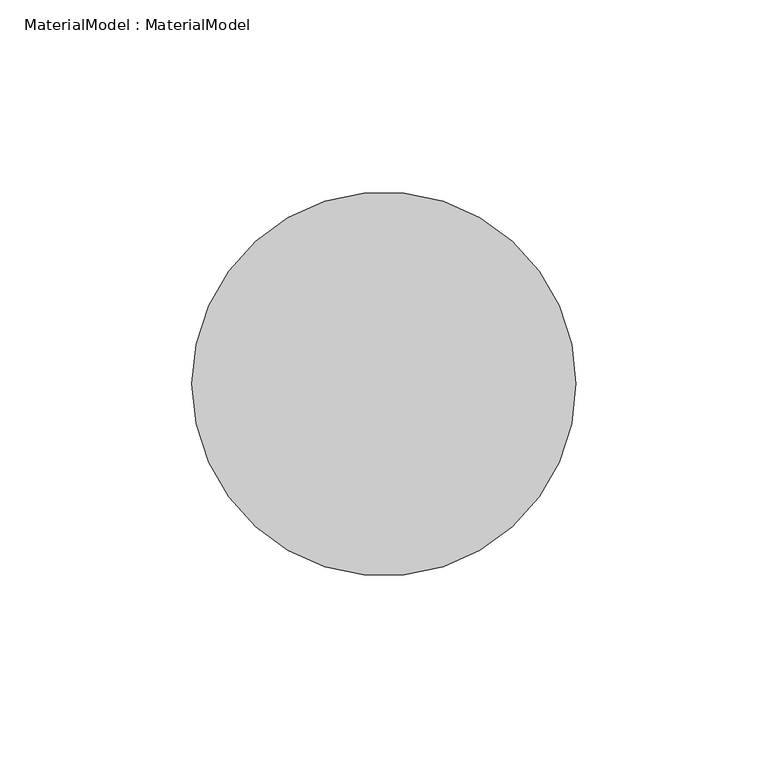
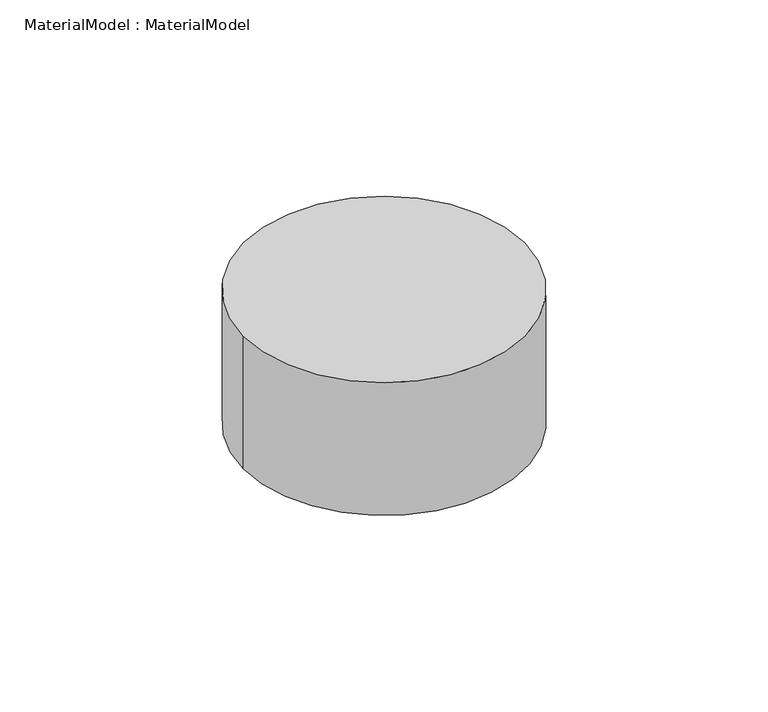
"""IFC4 building model written with IfcOpenShell, lengths in millimetres: proxy geometry, MaterialModel : MaterialModel."""

import ifcopenshell
import ifcopenshell.guid

model = None  # the IFC model being written
_history = None  # IfcOwnerHistory: only IFC2X3 demands one
_inside = {}  # id of a spatial element -> (the spatial element, [elements in it])
_under = {}  # id of a project, library or spatial element -> (it, [spatial elements below it])
_declared = {}  # id of a project -> (the project, [libraries it declares])
_typed = {}  # id of a type object -> (the type object, [elements of that type])
_made_of = {}  # id of a material, layer set ... -> (it, [elements and type objects made of it])


def new_model(schema):
    """Start an empty IFC model of exactly this schema.

    Asked for "IFC4X3", IfcOpenShell would pick the latest addendum, in which some entities
    have other attributes; the version numbers below select the first issue.
    IFC2X3 requires an IfcOwnerHistory on every rooted entity: one is made here for all.
    """
    global model, _history
    if schema == "IFC4X3":
        model = ifcopenshell.file(schema_version=(4, 3, 0, 0))
    else:
        model = ifcopenshell.file(schema=schema)
    _inside.clear()
    _under.clear()
    _declared.clear()
    _typed.clear()
    _made_of.clear()
    _history = None
    if model.schema == "IFC2X3":
        org = make("IfcOrganization", Name="unknown")
        user = make(
            "IfcPersonAndOrganization",
            ThePerson=make("IfcPerson", FamilyName="unknown"),
            TheOrganization=org,
        )
        app = make(
            "IfcApplication",
            ApplicationDeveloper=org,
            Version="unknown",
            ApplicationFullName="unknown",
            ApplicationIdentifier="unknown",
        )
        _history = make(
            "IfcOwnerHistory",
            OwningUser=user,
            OwningApplication=app,
            ChangeAction="ADDED",
            CreationDate=0,
        )
    return model


def make(cls, **values):
    """One entity of the class cls with the attributes given. An attribute that is None is left unset."""
    return model.create_entity(
        cls, **{name: value for name, value in values.items() if value is not None}
    )


def rooted(cls, **values):
    """An entity with a GlobalId (a new one), such as an element, a storey or a relation."""
    return make(cls, GlobalId=ifcopenshell.guid.new(), OwnerHistory=_history, **values)


def si_unit(unit_type, name, prefix=None):
    """IfcSIUnit, for example si_unit("LENGTHUNIT", "METRE", prefix="MILLI")."""
    return make("IfcSIUnit", UnitType=unit_type, Prefix=prefix, Name=name)


def assignment(units):
    """IfcUnitAssignment: the units of a project."""
    return None if units is None else make("IfcUnitAssignment", Units=units)


def point(xyz):
    """IfcCartesianPoint."""
    return None if xyz is None else make("IfcCartesianPoint", Coordinates=xyz)


def direction(xyz):
    """IfcDirection."""
    return None if xyz is None else make("IfcDirection", DirectionRatios=xyz)


def frame(location, z_axis=None, x_axis=None):
    """IfcAxis2Placement3D, a coordinate frame: its origin and axes. An axis left out is left unset."""
    return make(
        "IfcAxis2Placement3D",
        Location=point(location),
        Axis=direction(z_axis),
        RefDirection=direction(x_axis),
    )


def frame_2d(location, x_axis=None):
    """IfcAxis2Placement2D, a coordinate frame in the plane: its origin and x axis."""
    return make(
        "IfcAxis2Placement2D", Location=point(location), RefDirection=direction(x_axis)
    )


def origin():
    """The frame at (0, 0, 0) with its axes left unset."""
    return frame((0.0, 0.0, 0.0))


def origin_with_axes():
    """The frame at (0, 0, 0) with the z axis (0, 0, 1) and the x axis (1, 0, 0) written out."""
    return frame((0.0, 0.0, 0.0), z_axis=(0.0, 0.0, 1.0), x_axis=(1.0, 0.0, 0.0))


def origin_2d():
    """The frame at (0, 0) in the plane with its x axis left unset."""
    return frame_2d((0.0, 0.0))


def place(relative_to, where):
    """IfcLocalPlacement: puts the frame where relative to a parent placement (None: the world)."""
    return make(
        "IfcLocalPlacement", PlacementRelTo=relative_to, RelativePlacement=where
    )


def context(
    kind, dimensions, precision=None, world=None, true_north=None, identifier=None
):
    """IfcGeometricRepresentationContext, for example the 3D "Model" context."""
    return make(
        "IfcGeometricRepresentationContext",
        ContextIdentifier=identifier,
        ContextType=kind,
        CoordinateSpaceDimension=dimensions,
        Precision=precision,
        WorldCoordinateSystem=world,
        TrueNorth=true_north,
    )


def project(units=None, contexts=None):
    """IfcProject with its units and contexts."""
    return rooted(
        "IfcProject",
        Name="project",
        RepresentationContexts=contexts,
        UnitsInContext=assignment(units),
    )


def spatial(cls, under=None, at=None, **own):
    """A site, building, storey or space (cls), placed at a placement, below another one or the project."""
    s = rooted(cls, ObjectPlacement=at, **own)
    if under is not None:
        _under.setdefault(under.id(), (under, []))[1].append(s)
    return s


def circle_curve(where, radius):
    """IfcCircle in the frame where."""
    return make("IfcCircle", Position=where, Radius=radius)


def trimmed(basis, trim1, trim2, sense, master):
    """IfcTrimmedCurve: the piece of a basis curve between two trims."""
    return make(
        "IfcTrimmedCurve",
        BasisCurve=basis,
        Trim1=trim1,
        Trim2=trim2,
        SenseAgreement=sense,
        MasterRepresentation=master,
    )


def segment(curve, same_sense, transition):
    """IfcCompositeCurveSegment."""
    return make(
        "IfcCompositeCurveSegment",
        Transition=transition,
        SameSense=same_sense,
        ParentCurve=curve,
    )


def composite_curve(segments, self_intersect=None):
    """IfcCompositeCurve: segments joined end to end."""
    return make("IfcCompositeCurve", Segments=segments, SelfIntersect=self_intersect)


def outline(outer, holes=None, kind="AREA"):
    """IfcArbitraryClosedProfileDef: a profile drawn as a closed curve; with holes, ...WithVoids."""
    if holes is None:
        return make("IfcArbitraryClosedProfileDef", ProfileType=kind, OuterCurve=outer)
    return make(
        "IfcArbitraryProfileDefWithVoids",
        ProfileType=kind,
        OuterCurve=outer,
        InnerCurves=holes,
    )


def extrude(swept, where, along, depth):
    """IfcExtrudedAreaSolid: the profile swept, set in the frame where, extruded along a direction by depth."""
    return make(
        "IfcExtrudedAreaSolid",
        SweptArea=swept,
        Position=where,
        ExtrudedDirection=direction(along),
        Depth=depth,
    )


def shape(context_of_items, identifier, shape_type, items):
    """IfcShapeRepresentation: the items that make up one representation, for example the "Body"."""
    return make(
        "IfcShapeRepresentation",
        ContextOfItems=context_of_items,
        RepresentationIdentifier=identifier,
        RepresentationType=shape_type,
        Items=items,
    )


def source(mapping_origin, context_of_items, identifier, shape_type, items):
    """IfcRepresentationMap: a shape defined once, which mapped items show again and again."""
    return make(
        "IfcRepresentationMap",
        MappingOrigin=mapping_origin,
        MappedRepresentation=shape(context_of_items, identifier, shape_type, items),
    )


def transform(
    local_origin,
    x_axis=None,
    y_axis=None,
    z_axis=None,
    scale=None,
    scale2=None,
    scale3=None,
    uniform=True,
):
    """IfcCartesianTransformationOperator3D, or its non-uniform kind. x_axis, y_axis, z_axis: its Axis1, 2, 3."""
    if uniform:
        return make(
            "IfcCartesianTransformationOperator3D",
            Axis1=direction(x_axis),
            Axis2=direction(y_axis),
            LocalOrigin=point(local_origin),
            Scale=scale,
            Axis3=direction(z_axis),
        )
    return make(
        "IfcCartesianTransformationOperator3DnonUniform",
        Axis1=direction(x_axis),
        Axis2=direction(y_axis),
        LocalOrigin=point(local_origin),
        Scale=scale,
        Axis3=direction(z_axis),
        Scale2=scale2,
        Scale3=scale3,
    )


def mapped(mapping_source, mapping_target):
    """IfcMappedItem: shows the shape of a source again, moved by a transform."""
    return make(
        "IfcMappedItem", MappingSource=mapping_source, MappingTarget=mapping_target
    )


def made_of(thing, what):
    """Note that an element or type object is made of a material, layer set ...; save() writes the relation."""
    if what is not None:
        _made_of.setdefault(what.id(), (what, []))[1].append(thing)
    return thing


def element(
    cls,
    number,
    at=None,
    inside=None,
    cuts=None,
    type_object=None,
    material=None,
    context=None,
    identifier="Body",
    shape_type=None,
    held_by="IfcProductDefinitionShape",
    body=None,
    shapes=None,
    **own,
):
    """One element of the class cls, such as IfcWall. Its Tag is "e" and its number.

    at: its placement. inside: the storey or other place that contains it. cuts: it is an
    opening in that element (IfcRelVoidsElement). A single representation is given by context,
    identifier, shape_type and body (its items); several are given by shapes. held_by: the class
    of the entity that holds the representations. save() writes the other relations.
    """
    e = rooted(cls, Tag="e%d" % number, ObjectPlacement=at, **own)
    if body is not None:
        shapes = [shape(context, identifier, shape_type, body)]
    if shapes is not None:
        e.Representation = make(held_by, Representations=shapes)
    if inside is not None:
        _inside.setdefault(inside.id(), (inside, []))[1].append(e)
    if cuts is not None:
        rooted(
            "IfcRelVoidsElement", RelatingBuildingElement=cuts, RelatedOpeningElement=e
        )
    if type_object is not None:
        _typed.setdefault(type_object.id(), (type_object, []))[1].append(e)
    return made_of(e, material)


def aggregate(whole, parts):
    """IfcRelAggregates: a whole, such as a stair, and the parts it consists of."""
    return rooted("IfcRelAggregates", RelatingObject=whole, RelatedObjects=parts)


def save(model, path):
    """Write the relations noted so far, then the file.

    IfcRelAggregates (storeys below a building ...), IfcRelContainedInSpatialStructure (elements
    in a storey), IfcRelDefinesByType, IfcRelAssociatesMaterial and IfcRelDeclares: one each for
    every whole, place, type object, material and project.
    """
    for whole, parts in _under.values():
        aggregate(whole, parts)
    for where, things in _inside.values():
        rooted(
            "IfcRelContainedInSpatialStructure",
            RelatedElements=things,
            RelatingStructure=where,
        )
    for kind, things in _typed.values():
        rooted("IfcRelDefinesByType", RelatedObjects=things, RelatingType=kind)
    for what, things in _made_of.values():
        rooted("IfcRelAssociatesMaterial", RelatedObjects=things, RelatingMaterial=what)
    for by, libraries in _declared.values():
        rooted("IfcRelDeclares", RelatingContext=by, RelatedDefinitions=libraries)
    model.write(path)


def materialmodel_materialmodel_02e69005(model_context):
    return source(origin(), model_context, "Body", "SweptSolid", [
        extrude(outline(composite_curve([segment(trimmed(circle_curve(origin_2d(), 50.0), [point((-50.0, 0.0))], [point((50.0, 0.0))], False, "CARTESIAN"), True, "CONTINUOUS"), segment(trimmed(circle_curve(origin_2d(), 50.0), [point((50.0, 0.0))], [point((-50.0, 0.0))], False, "CARTESIAN"), True, "CONTINUOUS")], self_intersect=False)), origin_with_axes(), (0.0, 0.0, 1.0), 50.0),
    ])


if __name__ == "__main__":
    model = new_model("IFC4")
    model_context = context("Model", 3, world=origin())
    ifc_project = project(units=[si_unit("LENGTHUNIT", "METRE", prefix="MILLI")], contexts=[model_context])
    site = spatial("IfcSite", under=ifc_project)
    building = spatial("IfcBuilding", under=site)
    placement = place(None, origin())
    materialmodel_materialmodel_shape = materialmodel_materialmodel_02e69005(model_context)
    element("IfcBuildingElementProxy", 1, Name="MaterialModel : MaterialModel", ObjectType="MaterialModel : MaterialModel", at=placement, inside=building, context=model_context, shape_type="MappedRepresentation", body=[
        mapped(materialmodel_materialmodel_shape, transform((0.0, 0.0, 0.0), x_axis=(1.0, 0.0, 0.0), y_axis=(0.0, 1.0, 0.0), z_axis=(0.0, 0.0, 1.0))),
    ])
    save(model, "model.ifc")
